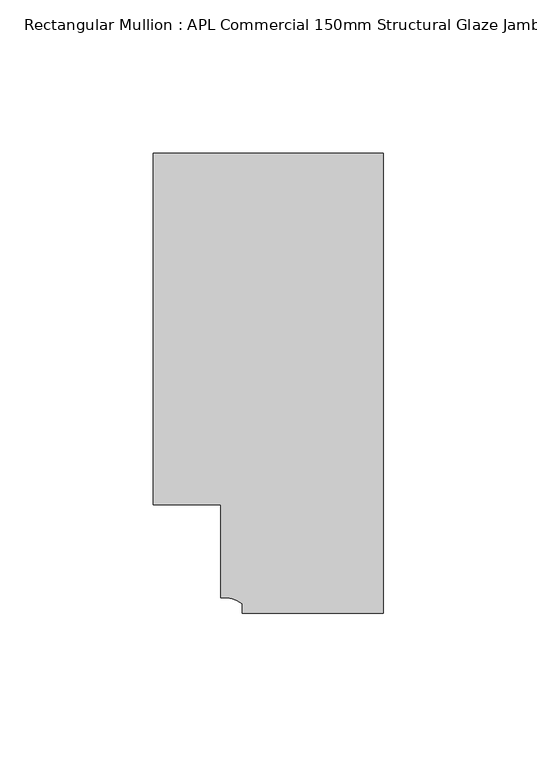
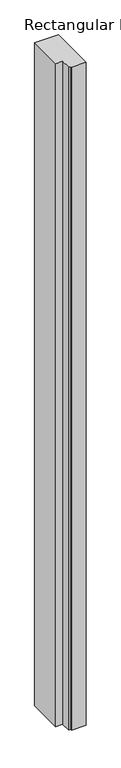
"""IFC4 building model written with IfcOpenShell, lengths in millimetres: member geometry, Rectangular Mullion : APL Commercial 150mm Structural Glaze Jamb Frame (left)."""

from ifc_helpers import new_model, si_unit, point, frame, frame_2d, origin, place, context, project, spatial, polyline, circle_curve, trimmed, segment, composite_curve, outline, extrude, source, transform, mapped, element, save


def rectangular_mullion_apl_commercial_150mm_structural_glaze_43116b96(model_context):
    return source(origin(), model_context, "Body", "SweptSolid", [
        extrude(outline(composite_curve([segment(polyline([(0.0, -20.5), (-45.9999842, -20.5), (-45.9999842, -17.3125325)]), True, "CONTINUOUS"), segment(trimmed(circle_curve(frame_2d((-52.1098019, -25.7981812)), 10.4563907), [point((-45.9999842, -17.3125325))], [point((-52.9999391, -15.3797475))], True, "CARTESIAN"), True, "CONTINUOUS"), segment(polyline([(-52.9999391, -15.3797475), (-52.9999391, 15.0000829), (-75.0, 15.0000829), (-75.0, 129.4999988), (0.0, 129.4999988), (0.0, -20.5)]), True, "CONTINUOUS")], self_intersect=False)), frame((0.0, 0.0, -2200.0), z_axis=(0.0, 0.0, 1.0), x_axis=(1.0, 0.0, 0.0)), (0.0, 0.0, 1.0), 2200.0),
    ])


if __name__ == "__main__":
    model = new_model("IFC4")
    model_context = context("Model", 3, world=origin())
    ifc_project = project(units=[si_unit("LENGTHUNIT", "METRE", prefix="MILLI")], contexts=[model_context])
    site = spatial("IfcSite", under=ifc_project)
    building = spatial("IfcBuilding", under=site)
    placement = place(None, origin())
    rectangular_mullion_apl_commercial_150mm_structural_glaze_shape = rectangular_mullion_apl_commercial_150mm_structural_glaze_43116b96(model_context)
    element("IfcMember", 1, ObjectType="Rectangular Mullion : APL Commercial 150mm Structural Glaze Jamb Frame (left)", at=placement, inside=building, context=model_context, shape_type="MappedRepresentation", body=[
        mapped(rectangular_mullion_apl_commercial_150mm_structural_glaze_shape, transform((0.0, 0.0, 0.0), x_axis=(1.0, 0.0, 0.0), y_axis=(0.0, 1.0, 0.0), z_axis=(0.0, 0.0, 1.0))),
    ])
    save(model, "model.ifc")
